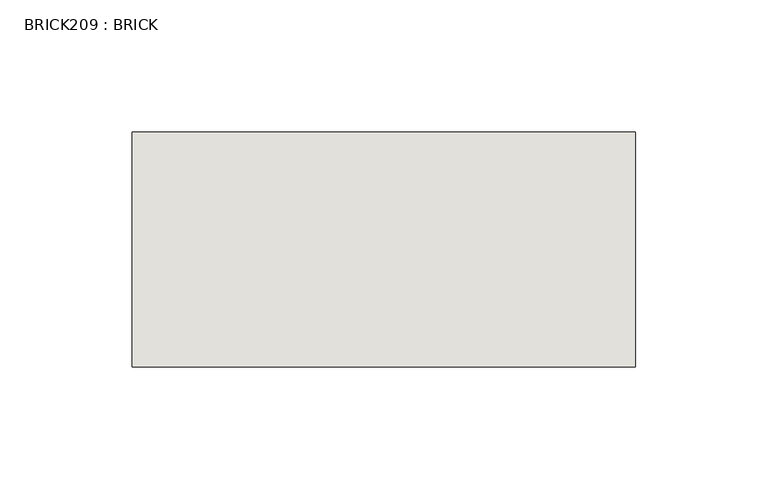
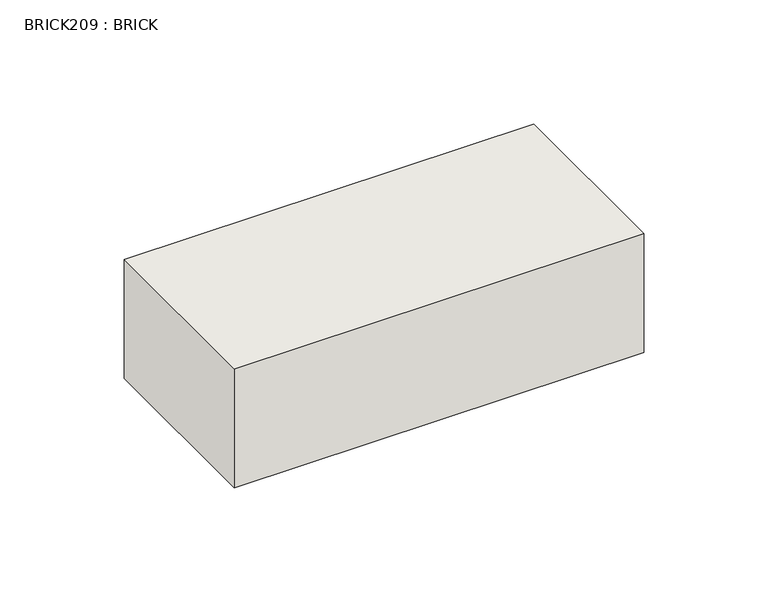
"""IFC4 building model written with IfcOpenShell, lengths in millimetres: wall geometry, BRICK209 : BRICK."""

from ifc_helpers import new_model, si_unit, frame, origin, place, context, project, spatial, polyline, outline, extrude, source, transform, mapped, element, save


def brick209_brick_4579cf98(model_context):
    return source(origin(), model_context, "Body", "SweptSolid", [
        extrude(outline(polyline([(-971.9316239, 3062.3923312), (-781.4316239, 3062.3923312), (-781.4316239, 2973.4923312), (-971.9316239, 2973.4923312), (-971.9316239, 3062.3923312)])), frame((0.0, 0.0, 493.4148438), z_axis=(0.0, 0.0, 1.0), x_axis=(1.0, 0.0, 0.0)), (0.0, 0.0, 1.0), 58.4398438),
    ])


if __name__ == "__main__":
    model = new_model("IFC4")
    model_context = context("Model", 3, world=origin())
    ifc_project = project(units=[si_unit("LENGTHUNIT", "METRE", prefix="MILLI")], contexts=[model_context])
    site = spatial("IfcSite", under=ifc_project)
    building = spatial("IfcBuilding", under=site)
    placement = place(None, origin())
    brick209_brick_shape = brick209_brick_4579cf98(model_context)
    element("IfcWall", 1, ObjectType="BRICK209 : BRICK", at=placement, inside=building, context=model_context, shape_type="MappedRepresentation", body=[
        mapped(brick209_brick_shape, transform((0.0, 0.0, 0.0), x_axis=(1.0, 0.0, 0.0), y_axis=(0.0, 1.0, 0.0), z_axis=(0.0, 0.0, 1.0))),
    ])
    save(model, "model.ifc")
